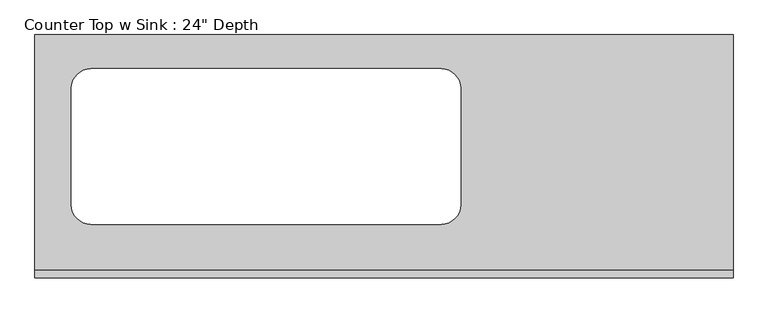
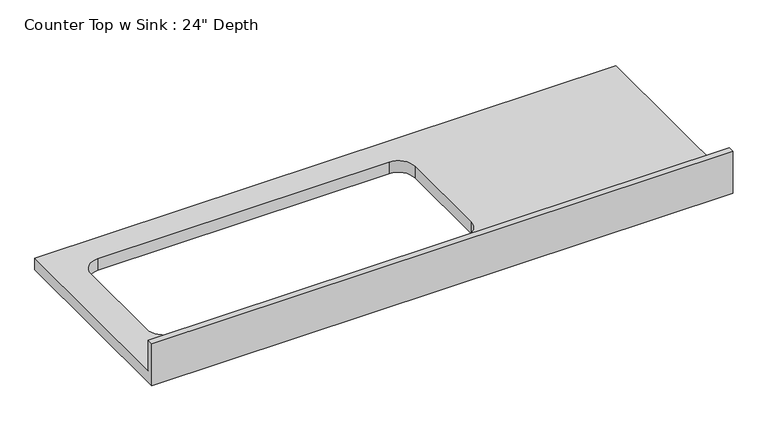
"""IFC4 building model written with IfcOpenShell, lengths in millimetres: furniture geometry."""

import ifcopenshell
import ifcopenshell.guid

model = None  # the IFC model being written
_history = None  # IfcOwnerHistory: only IFC2X3 demands one
_inside = {}  # id of a spatial element -> (the spatial element, [elements in it])
_under = {}  # id of a project, library or spatial element -> (it, [spatial elements below it])
_declared = {}  # id of a project -> (the project, [libraries it declares])
_typed = {}  # id of a type object -> (the type object, [elements of that type])
_made_of = {}  # id of a material, layer set ... -> (it, [elements and type objects made of it])


def new_model(schema):
    """Start an empty IFC model of exactly this schema.

    Asked for "IFC4X3", IfcOpenShell would pick the latest addendum, in which some entities
    have other attributes; the version numbers below select the first issue.
    IFC2X3 requires an IfcOwnerHistory on every rooted entity: one is made here for all.
    """
    global model, _history
    if schema == "IFC4X3":
        model = ifcopenshell.file(schema_version=(4, 3, 0, 0))
    else:
        model = ifcopenshell.file(schema=schema)
    _inside.clear()
    _under.clear()
    _declared.clear()
    _typed.clear()
    _made_of.clear()
    _history = None
    if model.schema == "IFC2X3":
        org = make("IfcOrganization", Name="unknown")
        user = make(
            "IfcPersonAndOrganization",
            ThePerson=make("IfcPerson", FamilyName="unknown"),
            TheOrganization=org,
        )
        app = make(
            "IfcApplication",
            ApplicationDeveloper=org,
            Version="unknown",
            ApplicationFullName="unknown",
            ApplicationIdentifier="unknown",
        )
        _history = make(
            "IfcOwnerHistory",
            OwningUser=user,
            OwningApplication=app,
            ChangeAction="ADDED",
            CreationDate=0,
        )
    return model


def make(cls, **values):
    """One entity of the class cls with the attributes given. An attribute that is None is left unset."""
    return model.create_entity(
        cls, **{name: value for name, value in values.items() if value is not None}
    )


def rooted(cls, **values):
    """An entity with a GlobalId (a new one), such as an element, a storey or a relation."""
    return make(cls, GlobalId=ifcopenshell.guid.new(), OwnerHistory=_history, **values)


def si_unit(unit_type, name, prefix=None):
    """IfcSIUnit, for example si_unit("LENGTHUNIT", "METRE", prefix="MILLI")."""
    return make("IfcSIUnit", UnitType=unit_type, Prefix=prefix, Name=name)


def assignment(units):
    """IfcUnitAssignment: the units of a project."""
    return None if units is None else make("IfcUnitAssignment", Units=units)


def point(xyz):
    """IfcCartesianPoint."""
    return None if xyz is None else make("IfcCartesianPoint", Coordinates=xyz)


def direction(xyz):
    """IfcDirection."""
    return None if xyz is None else make("IfcDirection", DirectionRatios=xyz)


def frame(location, z_axis=None, x_axis=None):
    """IfcAxis2Placement3D, a coordinate frame: its origin and axes. An axis left out is left unset."""
    return make(
        "IfcAxis2Placement3D",
        Location=point(location),
        Axis=direction(z_axis),
        RefDirection=direction(x_axis),
    )


def origin():
    """The frame at (0, 0, 0) with its axes left unset."""
    return frame((0.0, 0.0, 0.0))


def place(relative_to, where):
    """IfcLocalPlacement: puts the frame where relative to a parent placement (None: the world)."""
    return make(
        "IfcLocalPlacement", PlacementRelTo=relative_to, RelativePlacement=where
    )


def context(
    kind, dimensions, precision=None, world=None, true_north=None, identifier=None
):
    """IfcGeometricRepresentationContext, for example the 3D "Model" context."""
    return make(
        "IfcGeometricRepresentationContext",
        ContextIdentifier=identifier,
        ContextType=kind,
        CoordinateSpaceDimension=dimensions,
        Precision=precision,
        WorldCoordinateSystem=world,
        TrueNorth=true_north,
    )


def project(units=None, contexts=None):
    """IfcProject with its units and contexts."""
    return rooted(
        "IfcProject",
        Name="project",
        RepresentationContexts=contexts,
        UnitsInContext=assignment(units),
    )


def spatial(cls, under=None, at=None, **own):
    """A site, building, storey or space (cls), placed at a placement, below another one or the project."""
    s = rooted(cls, ObjectPlacement=at, **own)
    if under is not None:
        _under.setdefault(under.id(), (under, []))[1].append(s)
    return s


def polyline(points):
    """IfcPolyline through the points."""
    return make("IfcPolyline", Points=[point(p) for p in points])


def circle_curve(where, radius):
    """IfcCircle in the frame where."""
    return make("IfcCircle", Position=where, Radius=radius)


def shape(context_of_items, identifier, shape_type, items):
    """IfcShapeRepresentation: the items that make up one representation, for example the "Body"."""
    return make(
        "IfcShapeRepresentation",
        ContextOfItems=context_of_items,
        RepresentationIdentifier=identifier,
        RepresentationType=shape_type,
        Items=items,
    )


def source(mapping_origin, context_of_items, identifier, shape_type, items):
    """IfcRepresentationMap: a shape defined once, which mapped items show again and again."""
    return make(
        "IfcRepresentationMap",
        MappingOrigin=mapping_origin,
        MappedRepresentation=shape(context_of_items, identifier, shape_type, items),
    )


def transform(
    local_origin,
    x_axis=None,
    y_axis=None,
    z_axis=None,
    scale=None,
    scale2=None,
    scale3=None,
    uniform=True,
):
    """IfcCartesianTransformationOperator3D, or its non-uniform kind. x_axis, y_axis, z_axis: its Axis1, 2, 3."""
    if uniform:
        return make(
            "IfcCartesianTransformationOperator3D",
            Axis1=direction(x_axis),
            Axis2=direction(y_axis),
            LocalOrigin=point(local_origin),
            Scale=scale,
            Axis3=direction(z_axis),
        )
    return make(
        "IfcCartesianTransformationOperator3DnonUniform",
        Axis1=direction(x_axis),
        Axis2=direction(y_axis),
        LocalOrigin=point(local_origin),
        Scale=scale,
        Axis3=direction(z_axis),
        Scale2=scale2,
        Scale3=scale3,
    )


def mapped(mapping_source, mapping_target):
    """IfcMappedItem: shows the shape of a source again, moved by a transform."""
    return make(
        "IfcMappedItem", MappingSource=mapping_source, MappingTarget=mapping_target
    )


def made_of(thing, what):
    """Note that an element or type object is made of a material, layer set ...; save() writes the relation."""
    if what is not None:
        _made_of.setdefault(what.id(), (what, []))[1].append(thing)
    return thing


def element(
    cls,
    number,
    at=None,
    inside=None,
    cuts=None,
    type_object=None,
    material=None,
    context=None,
    identifier="Body",
    shape_type=None,
    held_by="IfcProductDefinitionShape",
    body=None,
    shapes=None,
    **own,
):
    """One element of the class cls, such as IfcWall. Its Tag is "e" and its number.

    at: its placement. inside: the storey or other place that contains it. cuts: it is an
    opening in that element (IfcRelVoidsElement). A single representation is given by context,
    identifier, shape_type and body (its items); several are given by shapes. held_by: the class
    of the entity that holds the representations. save() writes the other relations.
    """
    e = rooted(cls, Tag="e%d" % number, ObjectPlacement=at, **own)
    if body is not None:
        shapes = [shape(context, identifier, shape_type, body)]
    if shapes is not None:
        e.Representation = make(held_by, Representations=shapes)
    if inside is not None:
        _inside.setdefault(inside.id(), (inside, []))[1].append(e)
    if cuts is not None:
        rooted(
            "IfcRelVoidsElement", RelatingBuildingElement=cuts, RelatedOpeningElement=e
        )
    if type_object is not None:
        _typed.setdefault(type_object.id(), (type_object, []))[1].append(e)
    return made_of(e, material)


def aggregate(whole, parts):
    """IfcRelAggregates: a whole, such as a stair, and the parts it consists of."""
    return rooted("IfcRelAggregates", RelatingObject=whole, RelatedObjects=parts)


def save(model, path):
    """Write the relations noted so far, then the file.

    IfcRelAggregates (storeys below a building ...), IfcRelContainedInSpatialStructure (elements
    in a storey), IfcRelDefinesByType, IfcRelAssociatesMaterial and IfcRelDeclares: one each for
    every whole, place, type object, material and project.
    """
    for whole, parts in _under.values():
        aggregate(whole, parts)
    for where, things in _inside.values():
        rooted(
            "IfcRelContainedInSpatialStructure",
            RelatedElements=things,
            RelatingStructure=where,
        )
    for kind, things in _typed.values():
        rooted("IfcRelDefinesByType", RelatedObjects=things, RelatingType=kind)
    for what, things in _made_of.values():
        rooted("IfcRelAssociatesMaterial", RelatedObjects=things, RelatingMaterial=what)
    for by, libraries in _declared.values():
        rooted("IfcRelDeclares", RelatingContext=by, RelatedDefinitions=libraries)
    model.write(path)


def plane_surface(at):
    """IfcPlane: the flat surface through the origin of the frame at, square to its z axis."""
    return make("IfcPlane", Position=at)


def revolved_surface(curve, axis_point, axis_direction):
    """IfcSurfaceOfRevolution: the curve turned about the line through axis_point along axis_direction."""
    return make(
        "IfcSurfaceOfRevolution",
        SweptCurve=make("IfcArbitraryOpenProfileDef", ProfileType="CURVE", Curve=curve),
        AxisPosition=make("IfcAxis1Placement", Location=point(axis_point), Axis=direction(axis_direction)),
    )


def advanced_brep(points, edges, surfaces, faces):
    """IfcAdvancedBrep: a solid bounded by faces that lie on surfaces and meet in shared edges.

    An edge is (start, end): straight between two places in points (the first is 0);
    or (start, end, curve); or (start, end, curve, False) where it runs against its curve.
    A face is (place in surfaces, loops), or (place, loops, False) where it looks against
    its surface's normal. A loop lists edges by number (the first is 1), with a minus sign
    where the edge is run from its end to its start. The first loop is the outer one.
    """
    corners = [point(p) for p in points]
    vertices = [make("IfcVertexPoint", VertexGeometry=c) for c in corners]
    made = []
    for start, end, *more in edges:
        made.append(
            make(
                "IfcEdgeCurve",
                EdgeStart=vertices[start],
                EdgeEnd=vertices[end],
                EdgeGeometry=more[0] if more else make("IfcPolyline", Points=[corners[start], corners[end]]),
                SameSense=more[1] if len(more) > 1 else True,
            )
        )
    hull = []
    for where, loops, *sense in faces:
        bounds = []
        for j, loop in enumerate(loops):
            ring = [make("IfcOrientedEdge", EdgeElement=made[abs(k) - 1], Orientation=k > 0) for k in loop]
            bounds.append(
                make(
                    "IfcFaceOuterBound" if j == 0 else "IfcFaceBound",
                    Bound=make("IfcEdgeLoop", EdgeList=ring),
                    Orientation=True,
                )
            )
        hull.append(make("IfcAdvancedFace", Bounds=bounds, FaceSurface=surfaces[where], SameSense=sense[0] if sense else True))
    return make("IfcAdvancedBrep", Outer=make("IfcClosedShell", CfsFaces=hull))


def furniture_fbd0bb04(model_context):
    return source(origin(), model_context, "Body", "AdvancedBrep", [
        advanced_brep(
        [(-1200.4622951, 635.0, 914.4), (-1200.4622951, 19.05, 914.4), (621.9877049, 19.05, 914.4), (621.9877049, 635.0, 914.4), (-1054.4122951, 139.7, 914.4), (-1105.2122951, 190.5, 914.4), (-1105.2122951, 495.3, 914.4), (-1054.4122951, 546.1, 914.4), (-140.0122951, 546.1, 914.4), (-89.2122951, 495.3, 914.4), (-89.2122951, 190.5, 914.4), (-140.0122951, 139.7, 914.4), (621.9877049, 0.0, 876.3), (-1200.4622951, 0.0, 876.3), (-1200.4622951, 635.0, 876.3), (621.9877049, 635.0, 876.3), (-140.0122951, 139.7, 876.3), (-89.2122951, 190.5, 876.3), (-89.2122951, 495.3, 876.3), (-140.0122951, 546.1, 876.3), (-1054.4122951, 546.1, 876.3), (-1105.2122951, 495.3, 876.3), (-1105.2122951, 190.5, 876.3), (-1054.4122951, 139.7, 876.3), (621.9877049, 0.0, 1016.0), (-1200.4622951, 0.0, 1016.0), (-1200.4622951, 19.05, 1016.0), (621.9877049, 19.05, 1016.0)],
        [
            (0, 1),
            (1, 2),
            (2, 3),
            (3, 0),
            (4, 5, circle_curve(frame((-1054.4122951, 190.5, 914.4), z_axis=(0.0, 0.0, -1.0), x_axis=(1.0, 0.0, 0.0)), 50.8)),
            (5, 6),
            (6, 7, circle_curve(frame((-1054.4122951, 495.3, 914.4), z_axis=(0.0, 0.0, -1.0), x_axis=(1.0, 0.0, 0.0)), 50.8)),
            (7, 8),
            (8, 9, circle_curve(frame((-140.0122951, 495.3, 914.4), z_axis=(0.0, 0.0, -1.0), x_axis=(1.0, 0.0, 0.0)), 50.8)),
            (9, 10),
            (10, 11, circle_curve(frame((-140.0122951, 190.5, 914.4), z_axis=(0.0, 0.0, -1.0), x_axis=(1.0, 0.0, 0.0)), 50.8)),
            (11, 4),
            (12, 13),
            (13, 14),
            (14, 15),
            (15, 12),
            (16, 17, circle_curve(frame((-140.0122951, 190.5, 876.3), z_axis=(0.0, 0.0, 1.0), x_axis=(1.0, 0.0, 0.0)), 50.8)),
            (17, 18),
            (18, 19, circle_curve(frame((-140.0122951, 495.3, 876.3), z_axis=(0.0, 0.0, 1.0), x_axis=(1.0, 0.0, 0.0)), 50.8)),
            (19, 20),
            (20, 21, circle_curve(frame((-1054.4122951, 495.3, 876.3), z_axis=(0.0, 0.0, 1.0), x_axis=(1.0, 0.0, 0.0)), 50.8)),
            (21, 22),
            (22, 23, circle_curve(frame((-1054.4122951, 190.5, 876.3), z_axis=(0.0, 0.0, 1.0), x_axis=(1.0, 0.0, 0.0)), 50.8)),
            (23, 16),
            (12, 24),
            (24, 25),
            (25, 13),
            (25, 26),
            (26, 1),
            (0, 14),
            (3, 15),
            (2, 27),
            (27, 24),
            (27, 26),
            (11, 16),
            (23, 4),
            (22, 5),
            (21, 6),
            (20, 7),
            (19, 8),
            (18, 9),
            (17, 10),
        ],
        [
            plane_surface(frame((-1200.4622951, 0.0, 914.4), z_axis=(0.0, 0.0, 1.0), x_axis=(-1.0, 0.0, 0.0))),
            plane_surface(frame((-1200.4622951, 0.0, 876.3), z_axis=(0.0, 0.0, -1.0), x_axis=(1.0, 0.0, 0.0))),
            plane_surface(frame((621.9877049, 0.0, 914.4), z_axis=(0.0, -1.0, 0.0), x_axis=(0.0, 0.0, -1.0))),
            plane_surface(frame((-1200.4622951, 0.0, 914.4), z_axis=(-1.0, 0.0, 0.0), x_axis=(0.0, 0.0, -1.0))),
            plane_surface(frame((-1200.4622951, 635.0, 914.4), z_axis=(0.0, 1.0, 0.0), x_axis=(0.0, 0.0, -1.0))),
            plane_surface(frame((621.9877049, 635.0, 914.4), z_axis=(1.0, 0.0, 0.0), x_axis=(0.0, 0.0, -1.0))),
            plane_surface(frame((-1200.4622951, 0.0, 1016.0), z_axis=(0.0, 0.0, 1.0), x_axis=(0.0, 1.0, 0.0))),
            plane_surface(frame((-1200.4622951, 19.05, 1016.0), z_axis=(0.0, 1.0, 0.0), x_axis=(0.0, 0.0, -1.0))),
            plane_surface(frame((-140.0122951, 139.7, 914.4), z_axis=(0.0, 1.0, 0.0), x_axis=(0.0, 0.0, -1.0))),
            revolved_surface(polyline([(-1003.6122951, 190.5, 914.4), (-1003.6122951, 190.5, 876.3)]), (-1054.4122951, 190.5, 876.3), (0.0, 0.0, 1.0)),
            plane_surface(frame((-1105.2122951, 190.5, 914.4), z_axis=(1.0, 0.0, 0.0), x_axis=(0.0, 0.0, -1.0))),
            revolved_surface(polyline([(-1003.6122951, 495.3, 914.4), (-1003.6122951, 495.3, 876.3)]), (-1054.4122951, 495.3, 876.3), (0.0, 0.0, 1.0)),
            plane_surface(frame((-1054.4122951, 546.1, 914.4), z_axis=(0.0, -1.0, 0.0), x_axis=(0.0, 0.0, -1.0))),
            revolved_surface(polyline([(-89.21229509999999, 495.3, 914.4), (-89.21229509999999, 495.3, 876.3)]), (-140.0122951, 495.3, 876.3), (0.0, 0.0, 1.0)),
            plane_surface(frame((-89.2122951, 495.3, 914.4), z_axis=(-1.0, 0.0, 0.0), x_axis=(0.0, 0.0, -1.0))),
            revolved_surface(polyline([(-89.21229509999999, 190.5, 914.4), (-89.21229509999999, 190.5, 876.3)]), (-140.0122951, 190.5, 876.3), (0.0, 0.0, 1.0)),
        ],
        [
            (0, [[1, 2, 3, 4], [5, 6, 7, 8, 9, 10, 11, 12]]),
            (1, [[13, 14, 15, 16], [17, 18, 19, 20, 21, 22, 23, 24]]),
            (2, [[25, 26, 27, -13]]),
            (3, [[-27, 28, 29, -1, 30, -14]]),
            (4, [[31, -15, -30, -4]]),
            (5, [[-31, -3, 32, 33, -25, -16]]),
            (6, [[-26, -33, 34, -28]]),
            (7, [[-32, -2, -29, -34]]),
            (8, [[-12, 35, -24, 36]]),
            (9, [[-23, 37, -5, -36]]),
            (10, [[-22, 38, -6, -37]]),
            (11, [[-21, 39, -7, -38]]),
            (12, [[-20, 40, -8, -39]]),
            (13, [[-19, 41, -9, -40]]),
            (14, [[-18, 42, -10, -41]]),
            (15, [[-11, -42, -17, -35]]),
        ],
    ),
    ])


if __name__ == "__main__":
    model = new_model("IFC4")
    model_context = context("Model", 3, world=origin())
    ifc_project = project(units=[si_unit("LENGTHUNIT", "METRE", prefix="MILLI")], contexts=[model_context])
    site = spatial("IfcSite", under=ifc_project)
    building = spatial("IfcBuilding", under=site)
    placement = place(None, origin())
    furniture_shape = furniture_fbd0bb04(model_context)
    element("IfcFurniture", 1, ObjectType="Counter Top w Sink : 24\" Depth", at=placement, inside=building, context=model_context, shape_type="MappedRepresentation", body=[
        mapped(furniture_shape, transform((0.0, 0.0, 0.0), x_axis=(1.0, 0.0, 0.0), y_axis=(0.0, 1.0, 0.0), z_axis=(0.0, 0.0, 1.0))),
    ])
    save(model, "model.ifc")
